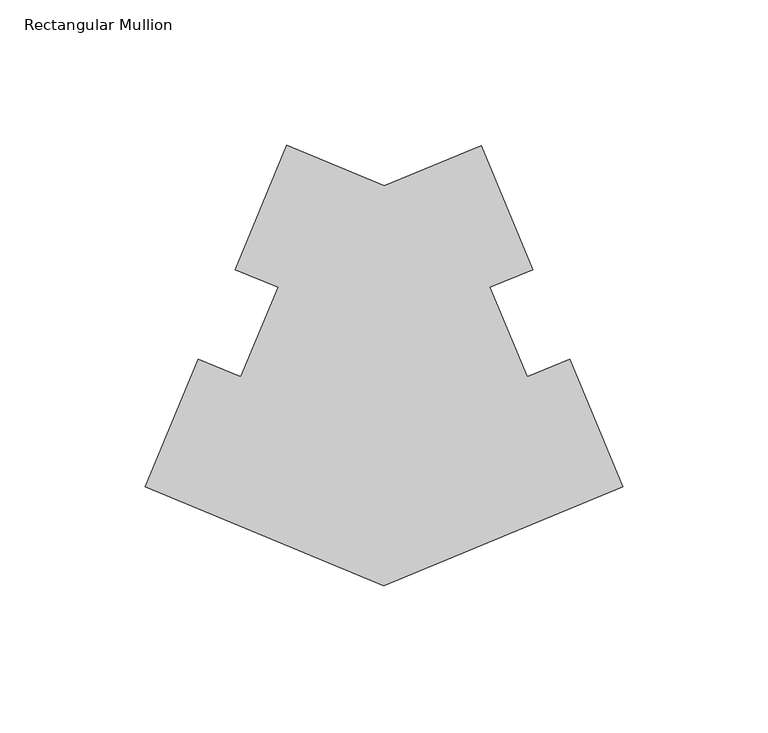
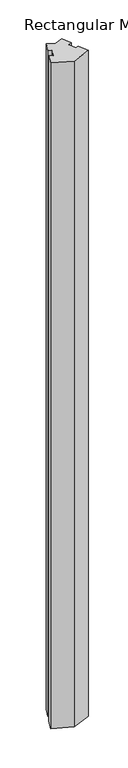
"""IFC4 building model written with IfcOpenShell, lengths in millimetres: member geometry, Rectangular Mullion."""

from ifc_helpers import new_model, si_unit, frame, origin, place, context, project, spatial, polyline, outline, extrude, source, transform, mapped, element, save


def rectangular_mullion_1b2d2f5d(model_context):
    return source(origin(), model_context, "Body", "SweptSolid", [
        extrude(outline(polyline([(-82.0222412, -121.412176), (-164.0306333, -87.4236022), (-145.8744802, -43.6034027), (-131.2076689, -49.677963), (-118.4460868, -18.877657), (-133.1067654, -12.7882958), (-115.4178797, 29.9041454), (-81.9942217, 16.0516306), (-48.5888374, 29.8806171), (-30.922506, -12.7819778), (-45.5831875, -18.8713403), (-32.8278775, -49.674262), (-18.1610663, -43.5997017), (0.0, -87.4570369), (-82.0222412, -121.412176)])), frame((0.0, 0.0, -3048.0), z_axis=(0.0, 0.0, 1.0), x_axis=(1.0, 0.0, 0.0)), (0.0, 0.0, 1.0), 3048.0),
    ])


if __name__ == "__main__":
    model = new_model("IFC4")
    model_context = context("Model", 3, world=origin())
    ifc_project = project(units=[si_unit("LENGTHUNIT", "METRE", prefix="MILLI")], contexts=[model_context])
    site = spatial("IfcSite", under=ifc_project)
    building = spatial("IfcBuilding", under=site)
    placement = place(None, origin())
    rectangular_mullion_shape = rectangular_mullion_1b2d2f5d(model_context)
    element("IfcMember", 1, ObjectType="Rectangular Mullion", at=placement, inside=building, context=model_context, shape_type="MappedRepresentation", body=[
        mapped(rectangular_mullion_shape, transform((0.0, 0.0, 0.0), x_axis=(1.0, 0.0, 0.0), y_axis=(0.0, 1.0, 0.0), z_axis=(0.0, 0.0, 1.0))),
    ])
    save(model, "model.ifc")
